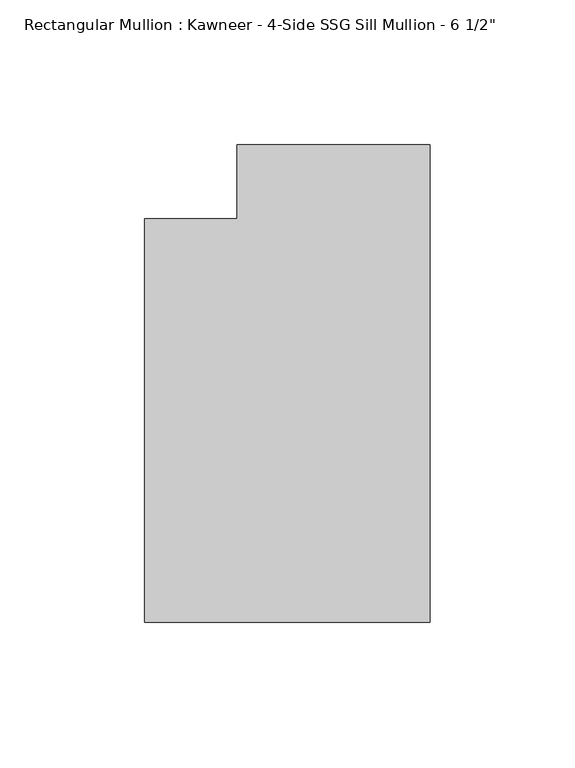
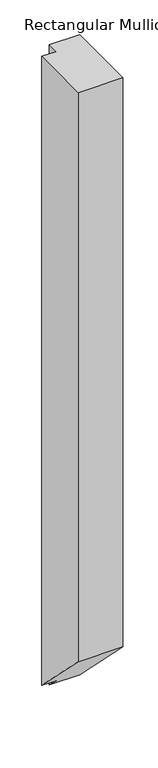
"""IFC4 building model written with IfcOpenShell, lengths in millimetres: member geometry."""

from ifc_helpers import new_model, si_unit, origin, place, context, project, spatial, faceted_brep, source, transform, mapped, element, save


def member_5ce61c65(model_context):
    return source(origin(), model_context, "Body", "Brep", [
        faceted_brep([(0.0, -151.892, 0.0), (0.0, 12.7, 0.0), (-66.6751132, 12.7, 0.0), (-66.6751132, -12.7, 0.0), (-98.425, -12.7, 0.0), (-98.425, -151.892, 0.0), (0.0, -151.892, -1323.7945391), (0.0, 12.7, -1488.3865391), (-66.6751132, 12.7, -1488.3865391), (-66.6751132, -12.7, -1462.9865391), (-98.425, -12.7, -1462.9865391), (-98.425, -151.892, -1323.7945391)], [[[0, 1, 2, 3, 4, 5]], [[1, 0, 6, 7]], [[2, 1, 7, 8]], [[3, 2, 8, 9]], [[4, 3, 9, 10]], [[5, 4, 10, 11]], [[0, 5, 11, 6]], [[6, 11, 10, 9, 8, 7]]]),
    ])


if __name__ == "__main__":
    model = new_model("IFC4")
    model_context = context("Model", 3, world=origin())
    ifc_project = project(units=[si_unit("LENGTHUNIT", "METRE", prefix="MILLI")], contexts=[model_context])
    site = spatial("IfcSite", under=ifc_project)
    building = spatial("IfcBuilding", under=site)
    placement = place(None, origin())
    member_shape = member_5ce61c65(model_context)
    element("IfcMember", 1, ObjectType="Rectangular Mullion : Kawneer - 4-Side SSG Sill Mullion - 6 1/2\"", at=placement, inside=building, context=model_context, shape_type="MappedRepresentation", body=[
        mapped(member_shape, transform((0.0, 0.0, 0.0), x_axis=(1.0, 0.0, 0.0), y_axis=(0.0, 1.0, 0.0), z_axis=(0.0, 0.0, 1.0))),
    ])
    save(model, "model.ifc")
